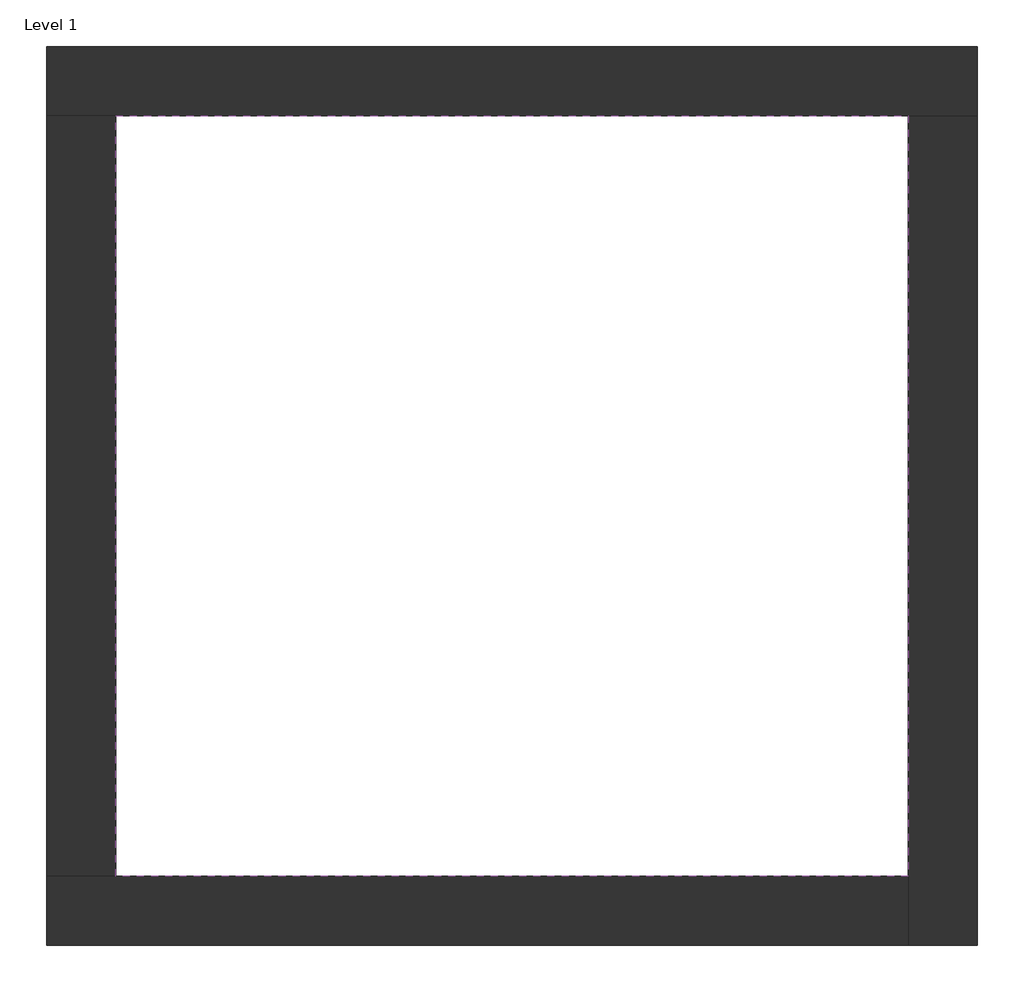
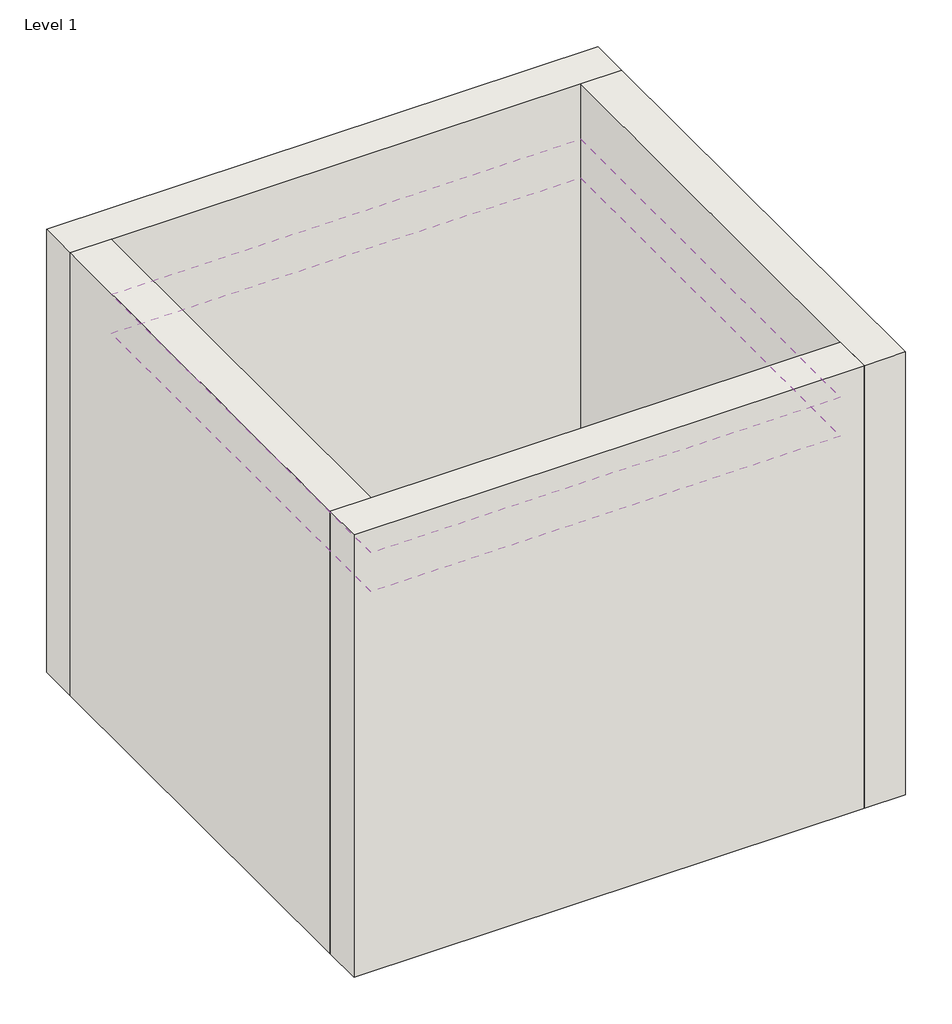
# One storey: 4 walls, 2 coverings.
"""IFC4 building model written with IfcOpenShell, lengths in millimetres."""

from ifc_helpers import new_model, si_unit, frame, origin, origin_with_axes, place, context, project, spatial, polyline, outline, extrude, faceted_brep, element, save

model = new_model("IFC4")

# Units and contexts
model_context = context("Model", 3, world=origin())
ifc_project = project(units=[si_unit("LENGTHUNIT", "METRE", prefix="MILLI")], contexts=[model_context])

# Site, building, storey
site = spatial("IfcSite", under=ifc_project)
building = spatial("IfcBuilding", under=site)
storey = spatial("IfcBuildingStorey", under=building, Name="Level 1", Elevation=0.0)

# Coverings
placement = place(None, origin())
element("IfcCovering", 1, at=placement, inside=storey, context=model_context, shape_type="SweptSolid", body=[
    extrude(outline(polyline([(-14894.8573003, 6921.2750283), (-10882.3573003, 6921.2750283), (-10882.3573003, 3071.2750283), (-14894.8573003, 3071.2750283), (-14894.8573003, 6921.2750283)])), frame((0.0, 0.0, 3500.0), z_axis=(0.0, 0.0, 1.0), x_axis=(1.0, 0.0, 0.0)), (0.0, 0.0, 1.0), 75.0),
])
element("IfcCovering", 2, at=placement, inside=storey, context=model_context, shape_type="SweptSolid", body=[
    extrude(outline(polyline([(-14894.8573003, 6921.2750283), (-10882.3573003, 6921.2750283), (-10882.3573003, 3071.2750283), (-14894.8573003, 3071.2750283), (-14894.8573003, 6921.2750283)])), frame((0.0, 0.0, 3150.0), z_axis=(0.0, 0.0, 1.0), x_axis=(1.0, 0.0, 0.0)), (0.0, 0.0, 1.0), 75.0),
])

# Walls
element("IfcWall", 3, ObjectType="Exterior - Brick on Mtl. Stud", at=placement, inside=storey, context=model_context, shape_type="Brep", body=[
    faceted_brep([(-15244.8573003, 6921.2750283, 0.0), (-14894.8573003, 6921.2750283, 0.0), (-10882.3573003, 6921.2750283, 0.0), (-10532.3573003, 6921.2750283, 0.0), (-10532.3573003, 6921.2750283, 4000.0), (-10882.3573003, 6921.2750283, 4000.0), (-14894.8573003, 6921.2750283, 4000.0), (-15244.8573003, 6921.2750283, 4000.0), (-15244.8573003, 7271.2750283, 0.0), (-15244.8573003, 7271.2750283, 4000.0), (-10532.3573003, 7271.2750283, 4000.0), (-10532.3573003, 7271.2750283, 0.0)], [[[0, 1, 2, 3, 4, 5, 6, 7]], [[8, 9, 10, 11]], [[3, 2, 1, 0, 8, 11]], [[7, 6, 5, 4, 10, 9]], [[0, 7, 9, 8]], [[4, 3, 11, 10]]]),
])
element("IfcWall", 4, ObjectType="Exterior - Brick on Mtl. Stud", at=placement, inside=storey, context=model_context, shape_type="Brep", body=[
    faceted_brep([(-10882.3573003, 6921.2750283, 0.0), (-10882.3573003, 3071.2750283, 0.0), (-10882.3573003, 2721.2750283, 0.0), (-10882.3573003, 2721.2750283, 4000.0), (-10882.3573003, 3071.2750283, 4000.0), (-10882.3573003, 6921.2750283, 4000.0), (-10532.3573003, 6921.2750283, 0.0), (-10532.3573003, 6921.2750283, 4000.0), (-10532.3573003, 2721.2750283, 4000.0), (-10532.3573003, 2721.2750283, 0.0)], [[[0, 1, 2, 3, 4, 5]], [[6, 7, 8, 9]], [[2, 1, 0, 6, 9]], [[5, 4, 3, 8, 7]], [[3, 2, 9, 8]], [[0, 5, 7, 6]]]),
])
element("IfcWall", 5, ObjectType="Exterior - Brick on Mtl. Stud", at=placement, inside=storey, context=model_context, shape_type="Brep", body=[
    faceted_brep([(-10882.3573003, 3071.2750283, 0.0), (-14894.8573003, 3071.2750283, 0.0), (-15244.8573003, 3071.2750283, 0.0), (-15244.8573003, 3071.2750283, 4000.0), (-14894.8573003, 3071.2750283, 4000.0), (-10882.3573003, 3071.2750283, 4000.0), (-10882.3573003, 2721.2750283, 0.0), (-10882.3573003, 2721.2750283, 4000.0), (-15244.8573003, 2721.2750283, 4000.0), (-15244.8573003, 2721.2750283, 0.0)], [[[0, 1, 2, 3, 4, 5]], [[6, 7, 8, 9]], [[2, 1, 0, 6, 9]], [[5, 4, 3, 8, 7]], [[3, 2, 9, 8]], [[0, 5, 7, 6]]]),
])
element("IfcWall", 6, ObjectType="Exterior - Brick on Mtl. Stud", at=placement, inside=storey, context=model_context, shape_type="SweptSolid", body=[
    extrude(outline(polyline([(-14894.8573003, 6921.2750283), (-14894.8573003, 3071.2750283), (-15244.8573003, 3071.2750283), (-15244.8573003, 6921.2750283), (-14894.8573003, 6921.2750283)])), origin_with_axes(), (0.0, 0.0, 1.0), 4000.0),
])

save(model, "model.ifc")
